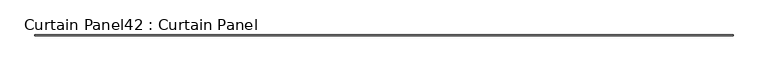
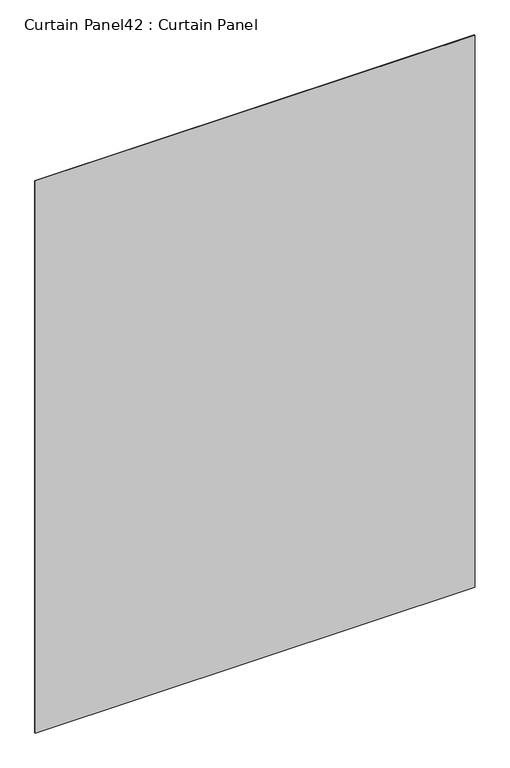
"""IFC4 building model written with IfcOpenShell, lengths in millimetres: plate geometry, Curtain Panel42 : Curtain Panel."""

from ifc_helpers import new_model, si_unit, frame, origin, place, context, project, spatial, polyline, outline, extrude, source, transform, mapped, element, save


def curtain_panel42_curtain_panel_41c4df67(model_context):
    return source(origin(), model_context, "Body", "SweptSolid", [
        extrude(outline(polyline([(21351.7304088, 1762.4010947), (16686.2467465, 1762.4010947), (16686.2467465, 1768.7510947), (21351.7304088, 1768.7510947), (21351.7304088, 1762.4010947)])), frame((0.0, 0.0, 1621.0970655), z_axis=(0.0, 0.0, 1.0), x_axis=(1.0, 0.0, 0.0)), (0.0, 0.0, 1.0), 6189.2020993),
    ])


if __name__ == "__main__":
    model = new_model("IFC4")
    model_context = context("Model", 3, world=origin())
    ifc_project = project(units=[si_unit("LENGTHUNIT", "METRE", prefix="MILLI")], contexts=[model_context])
    site = spatial("IfcSite", under=ifc_project)
    building = spatial("IfcBuilding", under=site)
    placement = place(None, origin())
    curtain_panel42_curtain_panel_shape = curtain_panel42_curtain_panel_41c4df67(model_context)
    element("IfcPlate", 1, ObjectType="Curtain Panel42 : Curtain Panel", at=placement, inside=building, context=model_context, shape_type="MappedRepresentation", body=[
        mapped(curtain_panel42_curtain_panel_shape, transform((0.0, 0.0, 0.0), x_axis=(1.0, 0.0, 0.0), y_axis=(0.0, 1.0, 0.0), z_axis=(0.0, 0.0, 1.0))),
    ])
    save(model, "model.ifc")
